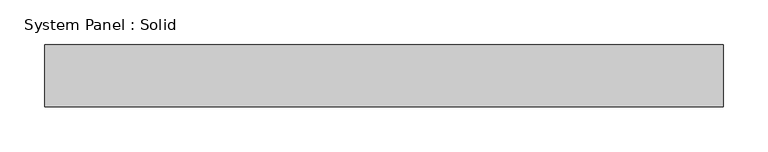
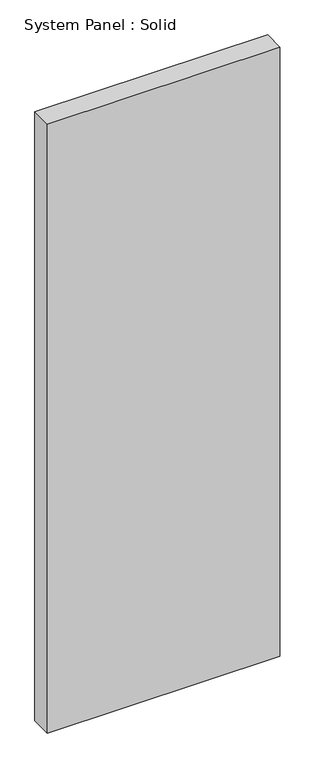
"""IFC4 building model written with IfcOpenShell, lengths in millimetres: plate geometry, System Panel : Solid."""

from ifc_helpers import new_model, si_unit, origin, origin_with_axes, place, context, project, spatial, polyline, outline, extrude, source, transform, mapped, element, save


def system_panel_solid_ea893d0d(model_context):
    return source(origin(), model_context, "Body", "SweptSolid", [
        extrude(outline(polyline([(381.0, -60.325), (-381.0, -60.325), (-381.0, 9.525), (381.0, 9.525), (381.0, -60.325)])), origin_with_axes(), (0.0, 0.0, 1.0), 2108.2),
    ])


if __name__ == "__main__":
    model = new_model("IFC4")
    model_context = context("Model", 3, world=origin())
    ifc_project = project(units=[si_unit("LENGTHUNIT", "METRE", prefix="MILLI")], contexts=[model_context])
    site = spatial("IfcSite", under=ifc_project)
    building = spatial("IfcBuilding", under=site)
    placement = place(None, origin())
    system_panel_solid_shape = system_panel_solid_ea893d0d(model_context)
    element("IfcPlate", 1, ObjectType="System Panel : Solid", at=placement, inside=building, context=model_context, shape_type="MappedRepresentation", body=[
        mapped(system_panel_solid_shape, transform((0.0, 0.0, 0.0), x_axis=(1.0, 0.0, 0.0), y_axis=(0.0, 1.0, 0.0), z_axis=(0.0, 0.0, 1.0))),
    ])
    save(model, "model.ifc")
